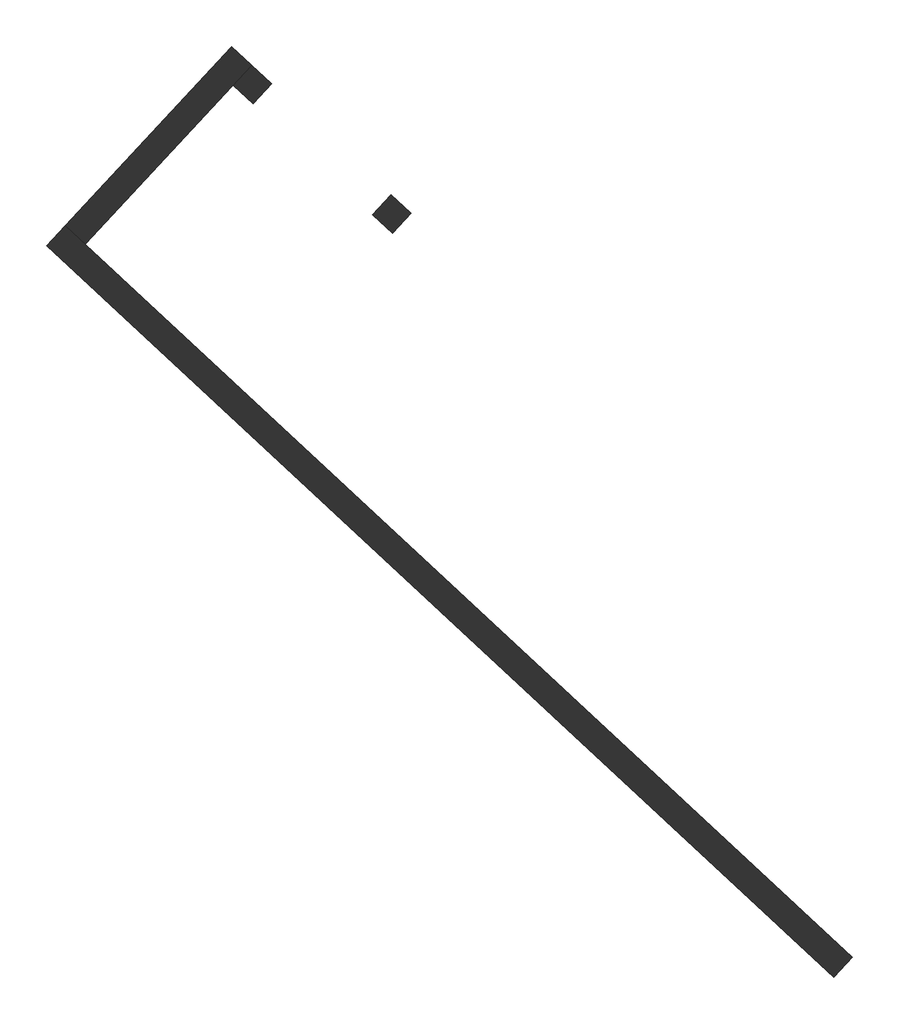
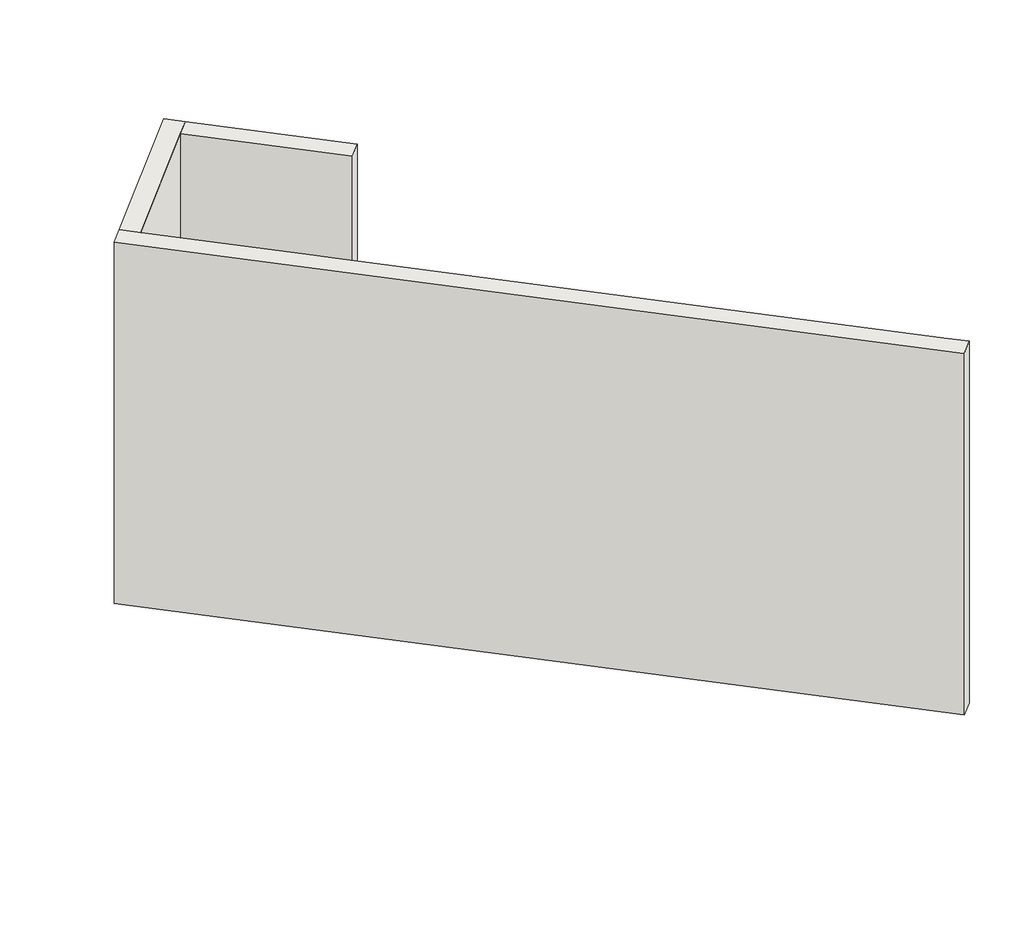
# One storey, part 1 of 18: 3 walls.
"""IFC4 building model written with IfcOpenShell, lengths in millimetres."""

from ifc_helpers import new_model, si_unit, frame, origin, place, context, project, spatial, polyline, outline, extrude, faceted_brep, element, save

model = new_model("IFC4")

# Units and contexts
model_context = context("Model", 3, world=origin())
ifc_project = project(units=[si_unit("LENGTHUNIT", "METRE", prefix="MILLI")], contexts=[model_context])

# Site, building, storey
site = spatial("IfcSite", under=ifc_project)
building = spatial("IfcBuilding", under=site)
storey = spatial("IfcBuildingStorey", under=building, Elevation=12680.0)

# Walls
placement = place(None, origin())
element("IfcWall", 1, ObjectType="Generic - 200mm", at=placement, inside=storey, context=model_context, shape_type="Brep", body=[
    faceted_brep([(-231046.3397578, -1007.7128505, 12680.0), (-225258.2403813, -6384.3201085, 12680.0), (-225258.2403813, -6384.3201085, 16680.0), (-231046.3397578, -1007.7128505, 16680.0), (-230910.2231184, -861.1786891, 12680.0), (-230910.2231184, -861.1786891, 16680.0), (-230763.688957, -997.2953285, 16680.0), (-229591.4156655, -2086.2284441, 16680.0), (-229444.8815041, -2222.3450835, 16680.0), (-225268.6579033, -6101.6693076, 16680.0), (-225122.1237418, -6237.7859471, 16680.0), (-225122.1237418, -6237.7859471, 12680.0), (-225268.6579033, -6101.6693076, 12680.0), (-229444.8815041, -2222.3450835, 12680.0), (-229591.4156655, -2086.2284441, 12680.0), (-230763.688957, -997.2953285, 12680.0)], [[[0, 1, 2, 3]], [[4, 5, 6, 7, 8, 9, 10, 11, 12, 13, 14, 15]], [[1, 0, 4, 15, 14, 13, 12, 11]], [[3, 2, 10, 9, 8, 7, 6, 5]], [[2, 1, 11, 10]], [[0, 3, 5, 4]]]),
])
element("IfcWall", 2, ObjectType="Generic - 200mm", at=placement, inside=storey, context=model_context, shape_type="Brep", body=[
    faceted_brep([(-229685.1733634, 457.6287638, 12680.0), (-230910.2231184, -861.1786891, 12680.0), (-230910.2231184, -861.1786891, 16680.0), (-229685.1733634, 457.6287638, 16680.0), (-229538.639202, 321.5121244, 12680.0), (-229538.639202, 321.5121244, 16680.0), (-229674.7558414, 174.9779629, 16680.0), (-230763.688957, -997.2953285, 16680.0), (-230763.688957, -997.2953285, 12680.0), (-229674.7558414, 174.9779629, 12680.0)], [[[0, 1, 2, 3]], [[4, 5, 6, 7, 8, 9]], [[1, 0, 4, 9, 8]], [[3, 2, 7, 6, 5]], [[0, 3, 5, 4]], [[2, 1, 8, 7]]]),
])
element("IfcWall", 3, ObjectType="Generic - 200mm", at=placement, inside=storey, context=model_context, shape_type="SweptSolid", body=[
    extrude(outline(polyline([(-1599.9999999, 0.0), (-1400.0, 0.0), (-1400.0, -2290.0), (-199.9999999, -2290.0), (-199.9999999, 0.0), (0.0, 0.0), (0.0, -4000.0), (-1599.9999999, -4000.0), (-1599.9999999, 0.0)])), frame((-228502.48255, -913.9551526, 12680.0), z_axis=(0.6805831972175999, 0.7326708071603983, 0.0), x_axis=(0.7326708071603983, -0.6805831972175999, 0.0)), (0.0, 0.0, 1.0), 200.0),
])

save(model, "model.ifc")
